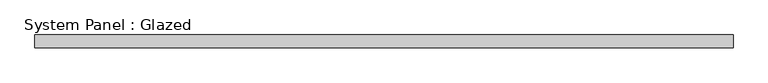
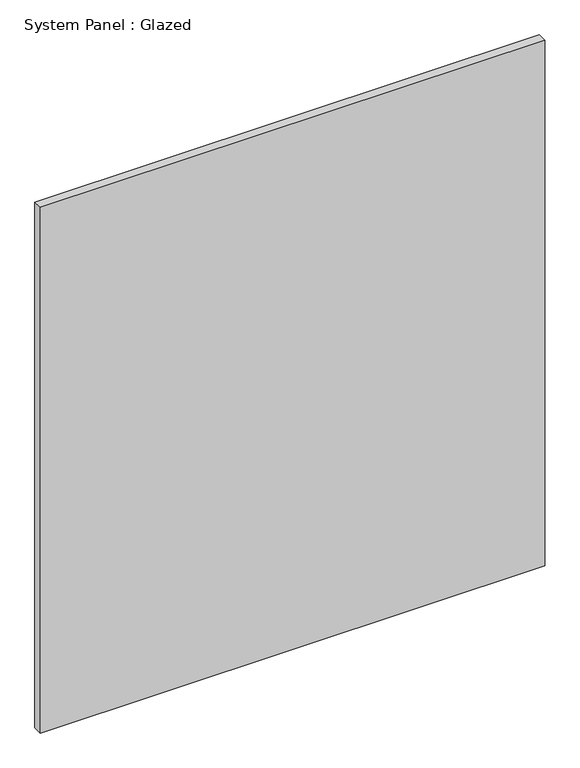
"""IFC4 building model written with IfcOpenShell, lengths in millimetres: plate geometry, System Panel : Glazed."""

from ifc_helpers import new_model, si_unit, origin, origin_with_axes, place, context, project, spatial, polyline, outline, extrude, source, transform, mapped, element, save


def system_panel_glazed_2f33162e(model_context):
    return source(origin(), model_context, "Body", "SweptSolid", [
        extrude(outline(polyline([(683.5251771, 24.5), (-683.5251771, 24.5), (-683.5251771, 49.5), (683.5251771, 49.5), (683.5251771, 24.5)])), origin_with_axes(), (0.0, 0.0, 1.0), 1506.050088),
    ])


if __name__ == "__main__":
    model = new_model("IFC4")
    model_context = context("Model", 3, world=origin())
    ifc_project = project(units=[si_unit("LENGTHUNIT", "METRE", prefix="MILLI")], contexts=[model_context])
    site = spatial("IfcSite", under=ifc_project)
    building = spatial("IfcBuilding", under=site)
    placement = place(None, origin())
    system_panel_glazed_shape = system_panel_glazed_2f33162e(model_context)
    element("IfcPlate", 1, ObjectType="System Panel : Glazed", at=placement, inside=building, context=model_context, shape_type="MappedRepresentation", body=[
        mapped(system_panel_glazed_shape, transform((0.0, 0.0, 0.0), x_axis=(1.0, 0.0, 0.0), y_axis=(0.0, 1.0, 0.0), z_axis=(0.0, 0.0, 1.0))),
    ])
    save(model, "model.ifc")
